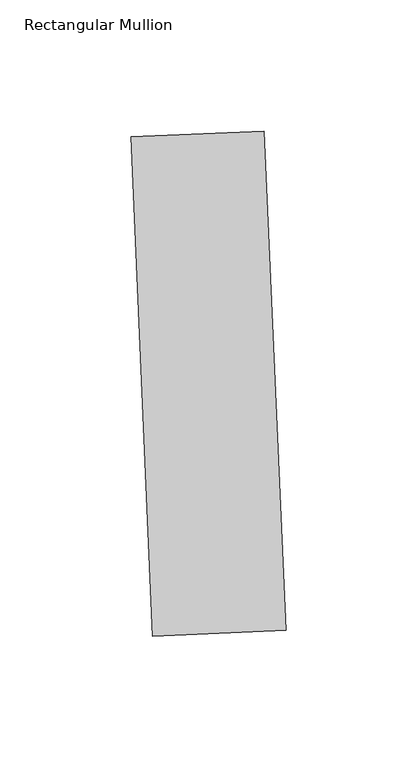
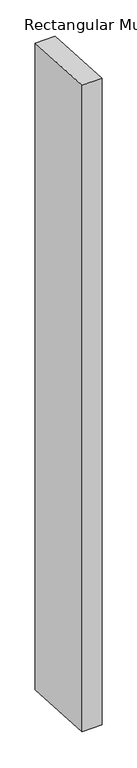
"""IFC4 building model written with IfcOpenShell, lengths in millimetres: member geometry, Rectangular Mullion."""

from ifc_helpers import new_model, si_unit, frame, origin, place, context, project, spatial, polyline, outline, extrude, source, transform, mapped, element, save


def rectangular_mullion_66a5b729(model_context):
    return source(origin(), model_context, "Body", "SweptSolid", [
        extrude(outline(polyline([(32.4388941, -160.6629508), (-18.3127555, -162.8788157), (-26.6222488, 27.4398705), (24.1294008, 29.6557354), (32.4388941, -160.6629508)])), frame((0.0, 0.0, -1720.85), z_axis=(0.0, 0.0, 1.0), x_axis=(1.0, 0.0, 0.0)), (0.0, 0.0, 1.0), 1720.85),
    ])


if __name__ == "__main__":
    model = new_model("IFC4")
    model_context = context("Model", 3, world=origin())
    ifc_project = project(units=[si_unit("LENGTHUNIT", "METRE", prefix="MILLI")], contexts=[model_context])
    site = spatial("IfcSite", under=ifc_project)
    building = spatial("IfcBuilding", under=site)
    placement = place(None, origin())
    rectangular_mullion_shape = rectangular_mullion_66a5b729(model_context)
    element("IfcMember", 1, ObjectType="Rectangular Mullion", at=placement, inside=building, context=model_context, shape_type="MappedRepresentation", body=[
        mapped(rectangular_mullion_shape, transform((0.0, 0.0, 0.0), x_axis=(1.0, 0.0, 0.0), y_axis=(0.0, 1.0, 0.0), z_axis=(0.0, 0.0, 1.0))),
    ])
    save(model, "model.ifc")
